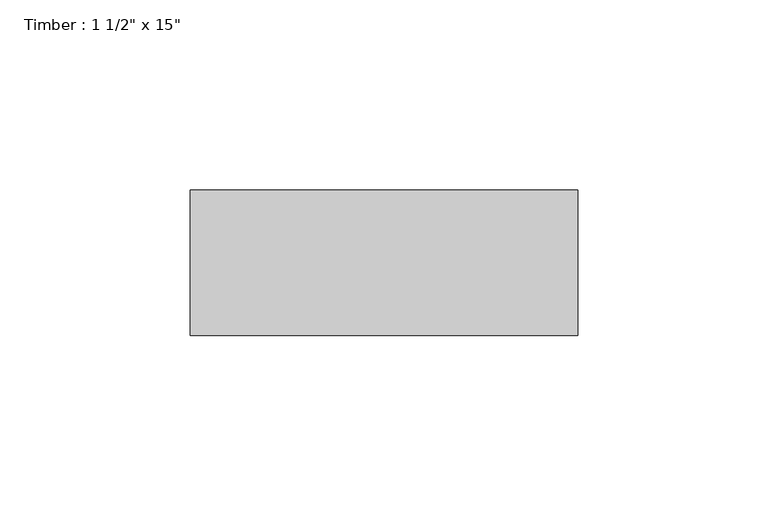
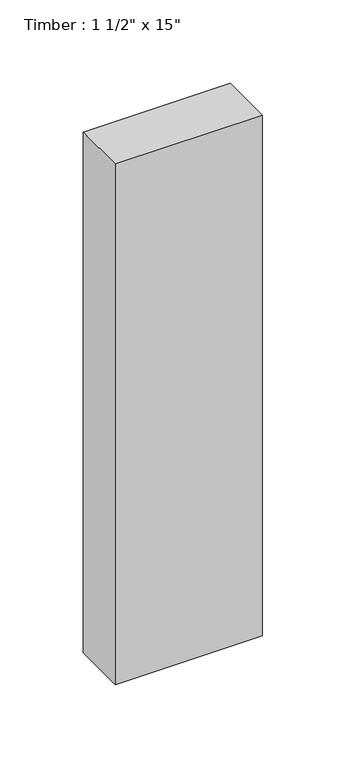
"""IFC4 building model written with IfcOpenShell, lengths in millimetres: beam geometry."""

from ifc_helpers import new_model, si_unit, frame, origin, place, context, project, spatial, polyline, outline, extrude, source, transform, mapped, element, save


def beam_6ef4ab77(model_context):
    return source(origin(), model_context, "Body", "SweptSolid", [
        extrude(outline(polyline([(50.8, 19.05), (50.8, -19.05), (-50.8, -19.05), (-50.8, 19.05), (50.8, 19.05)])), frame((0.0, 0.0, -190.5), z_axis=(0.0, 0.0, 1.0), x_axis=(1.0, 0.0, 0.0)), (0.0, 0.0, 1.0), 381.0),
    ])


if __name__ == "__main__":
    model = new_model("IFC4")
    model_context = context("Model", 3, world=origin())
    ifc_project = project(units=[si_unit("LENGTHUNIT", "METRE", prefix="MILLI")], contexts=[model_context])
    site = spatial("IfcSite", under=ifc_project)
    building = spatial("IfcBuilding", under=site)
    placement = place(None, origin())
    beam_shape = beam_6ef4ab77(model_context)
    element("IfcBeam", 1, ObjectType="Timber : 1 1/2\" x 15\"", at=placement, inside=building, context=model_context, shape_type="MappedRepresentation", body=[
        mapped(beam_shape, transform((0.0, 0.0, 0.0), x_axis=(1.0, 0.0, 0.0), y_axis=(0.0, 1.0, 0.0), z_axis=(0.0, 0.0, 1.0))),
    ])
    save(model, "model.ifc")
